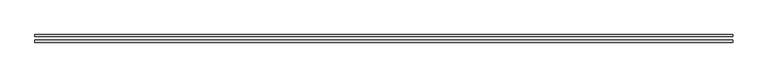
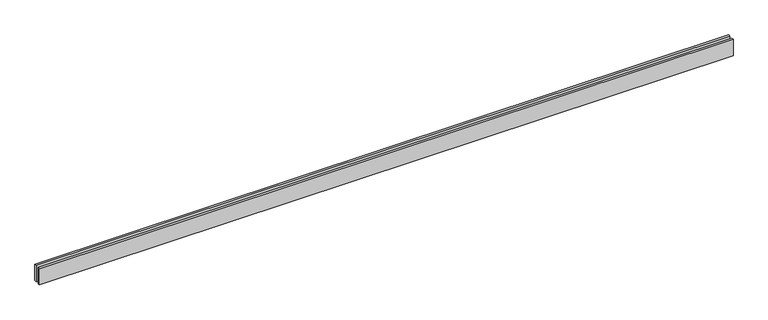
"""IFC4 building model written with IfcOpenShell, lengths in millimetres: proxy geometry."""

from ifc_helpers import new_model, si_unit, origin, origin_with_axes, place, context, project, spatial, polyline, outline, extrude, source, transform, mapped, element, save


def generic_models_1032f16f(model_context):
    return source(origin(), model_context, "Body", "SweptSolid", [
        extrude(outline(polyline([(10090.4137675, -25.0), (10090.4137675, -55.0), (0.0, -55.0), (0.0, -25.0), (10090.4137675, -25.0)])), origin_with_axes(), (0.0, 0.0, 1.0), 250.0),
        extrude(outline(polyline([(10090.4137675, 55.0), (10090.4137675, 25.0), (0.0, 25.0), (0.0, 55.0), (10090.4137675, 55.0)])), origin_with_axes(), (0.0, 0.0, 1.0), 250.0),
    ])


if __name__ == "__main__":
    model = new_model("IFC4")
    model_context = context("Model", 3, world=origin())
    ifc_project = project(units=[si_unit("LENGTHUNIT", "METRE", prefix="MILLI")], contexts=[model_context])
    site = spatial("IfcSite", under=ifc_project)
    building = spatial("IfcBuilding", under=site)
    placement = place(None, origin())
    generic_models_shape = generic_models_1032f16f(model_context)
    element("IfcBuildingElementProxy", 1, Name="Generic Models", at=placement, inside=building, context=model_context, shape_type="MappedRepresentation", body=[
        mapped(generic_models_shape, transform((0.0, 0.0, 0.0), x_axis=(1.0, 0.0, 0.0), y_axis=(0.0, 1.0, 0.0), z_axis=(0.0, 0.0, 1.0))),
    ])
    save(model, "model.ifc")
